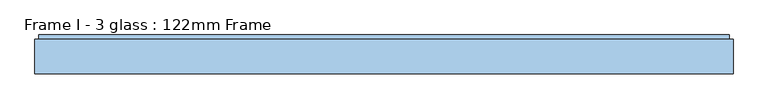
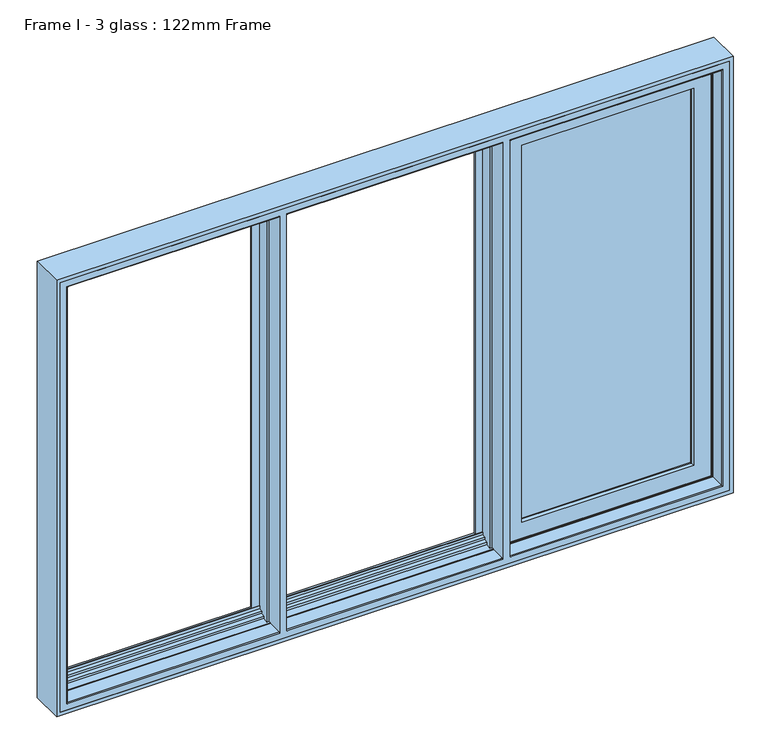
"""IFC4 building model written with IfcOpenShell, lengths in millimetres: window geometry, Frame I - 3 glass : 122mm Frame."""

from ifc_helpers import new_model, si_unit, frame, origin, place, context, project, spatial, polyline, circle_curve, ellipse_curve, outline, extrude, source, transform, mapped, element, save
from ifc_brep_helpers import plane_surface, cylinder_surface, revolved_surface, advanced_brep


def frame_i_3_glass_122mm_frame_25791a50(model_context):
    return source(origin(), model_context, "Body", "SolidModel", [
        advanced_brep(
        [(-1064.0, 83.0, 2264.0), (-1064.0, 35.0, 2264.0), (-1064.0, 35.0, 836.0), (-1064.0, 83.0, 836.0), (-1067.0, 32.0, 2267.0), (-1067.0, 32.0, 833.0), (-374.6666667, 35.0, 836.0), (-374.6666667, 83.0, 836.0), (1064.0, 35.0, 836.0), (1064.0, 83.0, 836.0), (374.6666667, 83.0, 836.0), (374.6666667, 35.0, 836.0), (-350.6666667, 83.0, 836.0), (-350.6666667, 35.0, 836.0), (350.6666667, 35.0, 836.0), (350.6666667, 83.0, 836.0), (-374.6666667, 83.0, 838.0), (-1062.0, 83.0, 838.0), (-1062.0, 83.0, 2262.0), (-374.6666667, 83.0, 2262.0), (-374.6666667, 83.0, 2264.0), (1064.0, 83.0, 2264.0), (374.6666667, 83.0, 2264.0), (374.6666667, 83.0, 2262.0), (1062.0, 83.0, 2262.0), (1062.0, 83.0, 838.0), (374.6666667, 83.0, 838.0), (-350.6666667, 83.0, 838.0), (350.6666667, 83.0, 838.0), (-350.6666667, 83.0, 2264.0), (-350.6666667, 83.0, 2262.0), (350.6666667, 83.0, 2262.0), (350.6666667, 83.0, 2264.0), (-1062.0, 111.4, 2262.0), (-1062.0, 111.4, 838.0), (-374.6666667, 91.0, 838.0), (-382.8666667, 91.0, 838.0), (-380.3618616, 111.4, 838.0), (1062.0, 111.4, 838.0), (380.3618616, 111.4, 838.0), (382.8666667, 91.0, 838.0), (374.6666667, 91.0, 838.0), (-350.6666667, 91.0, 838.0), (350.6666667, 91.0, 838.0), (342.4666667, 91.0, 838.0), (344.9714717, 111.4, 838.0), (-344.9714717, 111.4, 838.0), (-342.4666667, 91.0, 838.0), (-380.3618616, 111.4, 846.0999998), (-1053.9000002, 111.4, 846.0999998), (-1053.9000002, 111.4, 2253.9000002), (-380.3618616, 111.4, 2253.9000002), (-380.3618616, 111.4, 2262.0), (1062.0, 111.4, 2262.0), (380.3618616, 111.4, 2262.0), (380.3618616, 111.4, 2253.9000002), (1053.9000002, 111.4, 2253.9000002), (1053.9000002, 111.4, 846.0999998), (380.3618616, 111.4, 846.0999998), (-344.9714717, 111.4, 846.0999998), (344.9714717, 111.4, 846.0999998), (-344.9714717, 111.4, 2262.0), (-344.9714717, 111.4, 2253.9000002), (344.9714717, 111.4, 2253.9000002), (344.9714717, 111.4, 2262.0), (-1053.9000002, 126.0, 2253.9000002), (-1053.9000002, 126.0, 846.0999998), (-378.569207, 126.0, 846.0999998), (1053.9000002, 126.0, 846.0999998), (378.569207, 126.0, 846.0999998), (-346.7641263, 126.0, 846.0999998), (346.7641263, 126.0, 846.0999998), (-378.569207, 126.0, 853.2798057), (-1046.7201943, 126.0, 853.2798057), (-1046.7201943, 126.0, 2246.7201943), (-378.569207, 126.0, 2246.7201943), (-378.569207, 126.0, 2253.9000002), (1053.9000002, 126.0, 2253.9000002), (378.569207, 126.0, 2253.9000002), (378.569207, 126.0, 2246.7201943), (1046.7201943, 126.0, 2246.7201943), (1046.7201943, 126.0, 853.2798057), (378.569207, 126.0, 853.2798057), (-346.7641263, 126.0, 853.2798057), (346.7641263, 126.0, 853.2798057), (-346.7641263, 126.0, 2253.9000002), (-346.7641263, 126.0, 2246.7201943), (346.7641263, 126.0, 2246.7201943), (346.7641263, 126.0, 2253.9000002), (-1046.7201943, 140.2372876, 2246.7201943), (-1046.7201943, 140.2372876, 853.2798057), (-376.8210879, 140.2372876, 853.2798057), (1046.7201943, 140.2372876, 853.2798057), (376.8210879, 140.2372876, 853.2798057), (-348.5122454, 140.2372876, 853.2798057), (348.5122454, 140.2372876, 853.2798057), (-376.8210879, 140.2372876, 861.9868914), (-1038.0131086, 140.2372876, 861.9868914), (-1038.0131086, 140.2372876, 2238.0131086), (-376.8210879, 140.2372876, 2238.0131086), (-376.8210879, 140.2372876, 2246.7201943), (1046.7201943, 140.2372876, 2246.7201943), (376.8210879, 140.2372876, 2246.7201943), (376.8210879, 140.2372876, 2238.0131086), (1038.0131086, 140.2372876, 2238.0131086), (1038.0131086, 140.2372876, 861.9868914), (376.8210879, 140.2372876, 861.9868914), (-348.5122454, 140.2372876, 861.9868914), (348.5122454, 140.2372876, 861.9868914), (-348.5122454, 140.2372876, 2246.7201943), (-348.5122454, 140.2372876, 2238.0131086), (348.5122454, 140.2372876, 2238.0131086), (348.5122454, 140.2372876, 2246.7201943), (-1038.0131086, 143.3877115, 2238.0131086), (-1038.0131086, 143.3877115, 861.9868914), (-376.6046541, 142.0, 861.9868914), (-401.0778241, 142.0, 861.9868914), (-400.6535581, 143.3877115, 861.9868914), (1038.0131086, 143.3877115, 861.9868914), (400.6535581, 143.3877115, 861.9868914), (401.0778241, 142.0, 861.9868914), (376.6046541, 142.0, 861.9868914), (-348.7286793, 142.0, 861.9868914), (348.7286793, 142.0, 861.9868914), (324.2555093, 142.0, 861.9868914), (324.6797752, 143.3877115, 861.9868914), (-324.6797752, 143.3877115, 861.9868914), (-324.2555093, 142.0, 861.9868914), (-1041.2576108, 154.0, 858.7423892), (-1041.2576108, 154.0, 2241.2576108), (-397.4090559, 154.0, 858.7423892), (1041.2576108, 154.0, 858.7423892), (397.4090559, 154.0, 858.7423892), (-327.9242774, 154.0, 858.7423892), (327.9242774, 154.0, 858.7423892), (1088.0, 154.0, 812.0), (-1088.0, 154.0, 812.0), (-1088.0, 154.0, 2288.0), (1088.0, 154.0, 2288.0), (-397.4090559, 154.0, 2241.2576108), (327.9242774, 154.0, 2241.2576108), (-327.9242774, 154.0, 2241.2576108), (1041.2576108, 154.0, 2241.2576108), (397.4090559, 154.0, 2241.2576108), (-1088.0, 90.5, 2288.0), (-1088.0, 90.5, 812.0), (1088.0, 90.5, 812.0), (374.6666667, 90.5, 812.0), (374.6666667, 86.5, 812.0), (1088.0, 86.5, 812.0), (1088.0, 32.0, 812.0), (-1088.0, 32.0, 812.0), (-1088.0, 86.5, 812.0), (-374.6666667, 86.5, 812.0), (-374.6666667, 90.5, 812.0), (-350.6666667, 86.5, 812.0), (350.6666667, 86.5, 812.0), (350.6666667, 90.5, 812.0), (-350.6666667, 90.5, 812.0), (-374.6666667, 90.5, 819.0), (-1081.0, 90.5, 819.0), (-1081.0, 90.5, 2281.0), (-374.6666667, 90.5, 2281.0), (-374.6666667, 90.5, 2288.0), (1088.0, 90.5, 2288.0), (374.6666667, 90.5, 2288.0), (374.6666667, 90.5, 2281.0), (1081.0, 90.5, 2281.0), (1081.0, 90.5, 819.0), (374.6666667, 90.5, 819.0), (-350.6666667, 90.5, 819.0), (350.6666667, 90.5, 819.0), (-350.6666667, 90.5, 2288.0), (-350.6666667, 90.5, 2281.0), (350.6666667, 90.5, 2281.0), (350.6666667, 90.5, 2288.0), (-374.6666667, 32.0, 833.0), (1067.0, 32.0, 833.0), (374.6666667, 32.0, 833.0), (-350.6666667, 32.0, 833.0), (350.6666667, 32.0, 833.0), (-374.6666667, 86.5, 819.0), (-374.6666667, 32.0, 2267.0), (-374.6666667, 35.0, 2264.0), (-374.6666667, 91.0, 2262.0), (-374.6666667, 86.5, 2288.0), (-374.6666667, 86.5, 2281.0), (1064.0, 35.0, 2264.0), (374.6666667, 86.5, 819.0), (374.6666667, 32.0, 2267.0), (374.6666667, 91.0, 2262.0), (374.6666667, 35.0, 2264.0), (374.6666667, 86.5, 2288.0), (374.6666667, 86.5, 2281.0), (-350.6666667, 86.5, 819.0), (-350.6666667, 32.0, 2267.0), (-350.6666667, 91.0, 2262.0), (-350.6666667, 35.0, 2264.0), (-350.6666667, 86.5, 2288.0), (-350.6666667, 86.5, 2281.0), (350.6666667, 86.5, 819.0), (350.6666667, 32.0, 2267.0), (350.6666667, 35.0, 2264.0), (350.6666667, 91.0, 2262.0), (350.6666667, 86.5, 2288.0), (350.6666667, 86.5, 2281.0), (-382.8666667, 91.0, 2262.0), (-376.6046541, 142.0, 2238.0131086), (382.8666667, 91.0, 2262.0), (376.6046541, 142.0, 2238.0131086), (342.4666667, 91.0, 2262.0), (348.7286793, 142.0, 2238.0131086), (-342.4666667, 91.0, 2262.0), (-348.7286793, 142.0, 2238.0131086), (-401.0778241, 142.0, 2238.0131086), (-400.6535581, 143.3877115, 2238.0131086), (1038.0131086, 143.3877115, 2238.0131086), (400.6535581, 143.3877115, 2238.0131086), (401.0778241, 142.0, 2238.0131086), (324.2555093, 142.0, 2238.0131086), (324.6797752, 143.3877115, 2238.0131086), (-324.6797752, 143.3877115, 2238.0131086), (-324.2555093, 142.0, 2238.0131086), (-1081.0, 86.5, 2281.0), (-1081.0, 86.5, 819.0), (-1088.0, 86.5, 2288.0), (1081.0, 86.5, 819.0), (1081.0, 86.5, 2281.0), (1088.0, 86.5, 2288.0), (1088.0, 32.0, 2288.0), (-1088.0, 32.0, 2288.0), (1067.0, 32.0, 2267.0)],
        [
            (0, 1),
            (1, 2),
            (2, 3),
            (3, 0),
            (1, 4, ellipse_curve(frame((-1067.0, 35.0, 2267.0), z_axis=(-0.7071067811865475, 0.0, -0.7071067811865475), x_axis=(-0.7071067811865474, 0.0, 0.7071067811865476)), 4.2426407, 3.0)),
            (4, 5),
            (5, 2, ellipse_curve(frame((-1067.0, 35.0, 833.0), z_axis=(-0.7071067811865475, 0.0, 0.7071067811865475), x_axis=(0.7071067811865474, 0.0, 0.7071067811865476)), 4.2426407, 3.0)),
            (2, 6),
            (6, 7),
            (7, 3),
            (8, 9),
            (9, 10),
            (10, 11),
            (11, 8),
            (12, 13),
            (13, 14),
            (14, 15),
            (15, 12),
            (7, 16),
            (16, 17),
            (17, 18),
            (18, 19),
            (19, 20),
            (20, 0),
            (9, 21),
            (21, 22),
            (22, 23),
            (23, 24),
            (24, 25),
            (25, 26),
            (26, 10),
            (27, 12),
            (15, 28),
            (28, 27),
            (29, 30),
            (30, 31),
            (31, 32),
            (32, 29),
            (33, 18),
            (17, 34),
            (34, 33),
            (16, 35),
            (35, 36),
            (36, 37),
            (37, 34),
            (25, 38),
            (38, 39),
            (39, 40),
            (40, 41),
            (41, 26),
            (42, 27),
            (28, 43),
            (43, 44),
            (44, 45),
            (45, 46),
            (46, 47),
            (47, 42),
            (37, 48),
            (48, 49),
            (49, 50),
            (50, 51),
            (51, 52),
            (52, 33),
            (38, 53),
            (53, 54),
            (54, 55),
            (55, 56),
            (56, 57),
            (57, 58),
            (58, 39),
            (59, 46),
            (45, 60),
            (60, 59),
            (61, 62),
            (62, 63),
            (63, 64),
            (64, 61),
            (65, 50),
            (49, 66),
            (66, 65),
            (48, 67),
            (67, 66),
            (57, 68),
            (68, 69),
            (69, 58),
            (70, 59),
            (60, 71),
            (71, 70),
            (67, 72),
            (72, 73),
            (73, 74),
            (74, 75),
            (75, 76),
            (76, 65),
            (68, 77),
            (77, 78),
            (78, 79),
            (79, 80),
            (80, 81),
            (81, 82),
            (82, 69),
            (83, 70),
            (71, 84),
            (84, 83),
            (85, 86),
            (86, 87),
            (87, 88),
            (88, 85),
            (89, 74),
            (73, 90),
            (90, 89),
            (72, 91),
            (91, 90),
            (81, 92),
            (92, 93),
            (93, 82),
            (94, 83),
            (84, 95),
            (95, 94),
            (91, 96),
            (96, 97),
            (97, 98),
            (98, 99),
            (99, 100),
            (100, 89),
            (92, 101),
            (101, 102),
            (102, 103),
            (103, 104),
            (104, 105),
            (105, 106),
            (106, 93),
            (107, 94),
            (95, 108),
            (108, 107),
            (109, 110),
            (110, 111),
            (111, 112),
            (112, 109),
            (113, 98),
            (97, 114),
            (114, 113),
            (96, 115),
            (115, 116),
            (116, 117),
            (117, 114),
            (105, 118),
            (118, 119),
            (119, 120),
            (120, 121),
            (121, 106),
            (122, 107),
            (108, 123),
            (123, 124),
            (124, 125),
            (125, 126),
            (126, 127),
            (127, 122),
            (114, 128),
            (128, 129),
            (129, 113),
            (117, 130),
            (130, 128),
            (118, 131),
            (131, 132),
            (132, 119),
            (133, 126),
            (125, 134),
            (134, 133),
            (135, 136),
            (136, 137),
            (137, 138),
            (138, 135),
            (130, 139),
            (139, 129),
            (134, 140),
            (140, 141),
            (141, 133),
            (131, 142),
            (142, 143),
            (143, 132),
            (144, 137),
            (136, 145),
            (145, 144),
            (135, 146),
            (146, 147),
            (147, 148),
            (148, 149),
            (149, 150),
            (150, 151),
            (151, 152),
            (152, 153),
            (153, 154),
            (154, 145),
            (155, 156),
            (156, 157),
            (157, 158),
            (158, 155),
            (154, 159),
            (159, 160),
            (160, 161),
            (161, 162),
            (162, 163),
            (163, 144),
            (146, 164),
            (164, 165),
            (165, 166),
            (166, 167),
            (167, 168),
            (168, 169),
            (169, 147),
            (170, 158),
            (157, 171),
            (171, 170),
            (172, 173),
            (173, 174),
            (174, 175),
            (175, 172),
            (5, 176),
            (176, 6, circle_curve(frame((-374.6666667, 35.0, 833.0), z_axis=(-1.0, 0.0, 0.0), x_axis=(0.0, 1.0, 0.0)), 3.0)),
            (177, 8, ellipse_curve(frame((1067.0, 35.0, 833.0), z_axis=(-0.7071067811865475, 0.0, -0.7071067811865475), x_axis=(-0.7071067811865476, 0.0, 0.7071067811865474)), 4.2426407, 3.0)),
            (11, 178, circle_curve(frame((374.6666667, 35.0, 833.0), z_axis=(1.0, 0.0, 0.0), x_axis=(0.0, 1.0, 0.0)), 3.0)),
            (178, 177),
            (13, 179, circle_curve(frame((-350.6666667, 35.0, 833.0), z_axis=(1.0, 0.0, 0.0), x_axis=(0.0, 1.0, 0.0)), 3.0)),
            (179, 180),
            (180, 14, circle_curve(frame((350.6666667, 35.0, 833.0), z_axis=(-1.0, 0.0, 0.0), x_axis=(0.0, 1.0, 0.0)), 3.0)),
            (153, 181),
            (181, 159),
            (176, 182),
            (182, 183, circle_curve(frame((-374.6666667, 35.0, 2267.0), z_axis=(1.0, 0.0, 0.0), x_axis=(0.0, 1.0, 0.0)), 3.0)),
            (183, 20),
            (19, 184),
            (184, 35),
            (185, 163),
            (162, 186),
            (186, 185),
            (8, 187),
            (187, 21),
            (169, 188),
            (188, 148),
            (189, 178),
            (41, 190),
            (190, 23),
            (22, 191),
            (191, 189, circle_curve(frame((374.6666667, 35.0, 2267.0), z_axis=(-1.0, 0.0, 0.0), x_axis=(0.0, 1.0, 0.0)), 3.0)),
            (165, 192),
            (192, 193),
            (193, 166),
            (170, 194),
            (194, 155),
            (195, 179),
            (42, 196),
            (196, 30),
            (29, 197),
            (197, 195, circle_curve(frame((-350.6666667, 35.0, 2267.0), z_axis=(-1.0, 0.0, 0.0), x_axis=(0.0, 1.0, 0.0)), 3.0)),
            (172, 198),
            (198, 199),
            (199, 173),
            (156, 200),
            (200, 171),
            (180, 201),
            (201, 202, circle_curve(frame((350.6666667, 35.0, 2267.0), z_axis=(1.0, 0.0, 0.0), x_axis=(0.0, 1.0, 0.0)), 3.0)),
            (202, 32),
            (31, 203),
            (203, 43),
            (204, 175),
            (174, 205),
            (205, 204),
            (206, 36),
            (184, 206),
            (207, 115),
            (206, 52),
            (51, 76),
            (75, 100),
            (99, 207),
            (24, 53),
            (208, 40),
            (121, 209),
            (209, 103),
            (102, 79),
            (78, 55),
            (54, 208),
            (208, 190),
            (210, 44),
            (203, 210),
            (211, 123),
            (210, 64),
            (63, 88),
            (87, 112),
            (111, 211),
            (212, 47),
            (122, 213),
            (213, 110),
            (109, 86),
            (85, 62),
            (61, 212),
            (212, 196),
            (56, 77),
            (80, 101),
            (214, 116),
            (207, 214),
            (214, 215),
            (215, 139),
            (104, 216),
            (216, 118),
            (143, 217),
            (217, 218),
            (218, 120),
            (218, 209),
            (219, 124),
            (211, 219),
            (219, 220),
            (220, 140),
            (141, 221),
            (221, 222),
            (222, 127),
            (222, 213),
            (216, 142),
            (138, 164),
            (194, 200),
            (223, 224),
            (224, 181),
            (152, 225),
            (225, 185),
            (186, 223),
            (226, 227),
            (227, 193),
            (192, 228),
            (228, 149),
            (188, 226),
            (198, 204),
            (205, 199),
            (229, 150),
            (228, 229),
            (229, 230),
            (230, 151),
            (4, 182),
            (231, 177),
            (189, 231),
            (195, 201),
            (230, 225),
            (231, 187, ellipse_curve(frame((1067.0, 35.0, 2267.0), z_axis=(0.7071067811865475, 0.0, -0.7071067811865475), x_axis=(-0.7071067811865474, 0.0, -0.7071067811865476)), 4.2426407, 3.0)),
            (223, 161),
            (160, 224),
            (168, 226),
            (167, 227),
            (183, 1),
            (187, 191),
            (202, 197),
            (113, 215),
            (217, 216),
            (221, 220),
        ],
        [
            plane_surface(frame((-1064.0, 35.0, 2264.0), z_axis=(1.0, 0.0, 0.0), x_axis=(0.0, 0.0, -1.0))),
            cylinder_surface(frame((-1067.0, 35.0, 2288.0), z_axis=(0.0, 0.0, 1.0), x_axis=(0.0, 1.0, 0.0)), 3.0),
            plane_surface(frame((-1064.0, 35.0, 836.0), z_axis=(0.0, 0.0, 1.0), x_axis=(1.0, 0.0, 0.0))),
            plane_surface(frame((1064.0, 83.0, 2264.0), z_axis=(0.0, -1.0, 0.0), x_axis=(-1.0, 0.0, 0.0))),
            plane_surface(frame((-1062.0, 83.0, 2262.0), z_axis=(1.0, 0.0, 0.0), x_axis=(0.0, 0.0, -1.0))),
            plane_surface(frame((-1062.0, 83.0, 838.0), z_axis=(0.0, 0.0, 1.0), x_axis=(1.0, 0.0, 0.0))),
            plane_surface(frame((1062.0, 111.4, 2262.0), z_axis=(0.0, -1.0, 0.0), x_axis=(-1.0, 0.0, 0.0))),
            plane_surface(frame((-1053.9000002, 111.4, 2253.9000002), z_axis=(1.0, 0.0, 0.0), x_axis=(0.0, 0.0, -1.0))),
            plane_surface(frame((-1053.9000002, 111.4, 846.0999998), z_axis=(0.0, 0.0, 1.0), x_axis=(1.0, 0.0, 0.0))),
            plane_surface(frame((1053.9000002, 126.0, 2253.9000002), z_axis=(0.0, -1.0, 0.0), x_axis=(-1.0, 0.0, 0.0))),
            plane_surface(frame((-1046.7201943, 126.0, 2246.7201943), z_axis=(1.0, 0.0, 0.0), x_axis=(0.0, 0.0, -1.0))),
            plane_surface(frame((-1046.7201943, 126.0, 853.2798057), z_axis=(0.0, 0.0, 1.0), x_axis=(1.0, 0.0, 0.0))),
            plane_surface(frame((1046.7201943, 140.2372876, 2246.7201943), z_axis=(0.0, -1.0, 0.0), x_axis=(-1.0, 0.0, 0.0))),
            plane_surface(frame((-1038.0131086, 140.2372876, 2238.0131086), z_axis=(1.0, 0.0, 0.0), x_axis=(0.0, 0.0, -1.0))),
            plane_surface(frame((-1038.0131086, 140.2372876, 861.9868914), z_axis=(0.0, 0.0, 1.0), x_axis=(1.0, 0.0, 0.0))),
            plane_surface(frame((-1038.0131086, 143.3877115, 2238.0131086), z_axis=(0.9563047559629358, 0.29237170472306273, 0.0), x_axis=(0.0, 0.0, -1.0))),
            plane_surface(frame((-1038.0131086, 143.3877115, 861.9868914), z_axis=(0.0, 0.29237170472306273, 0.9563047559629358), x_axis=(1.0, 0.0, 0.0))),
            plane_surface(frame((1041.2576108, 154.0, 2241.2576108), z_axis=(0.0, 1.0, 0.0), x_axis=(-1.0, 0.0, 0.0))),
            plane_surface(frame((-1088.0, 154.0, 2288.0), z_axis=(-1.0, 0.0, 0.0), x_axis=(0.0, 0.0, -1.0))),
            plane_surface(frame((-1088.0, 154.0, 812.0), z_axis=(0.0, 0.0, -1.0), x_axis=(1.0, 0.0, 0.0))),
            plane_surface(frame((1088.0, 90.5, 2288.0), z_axis=(0.0, -1.0, 0.0), x_axis=(-1.0, 0.0, 0.0))),
            cylinder_surface(frame((-1088.0, 35.0, 833.0), z_axis=(-1.0, 0.0, 0.0), x_axis=(0.0, 1.0, 0.0)), 3.0),
            plane_surface(frame((-374.6666667, 91.0, 2288.0), z_axis=(-1.0, 0.0, 0.0), x_axis=(0.0, 0.0, -1.0))),
            plane_surface(frame((1064.0, 35.0, 836.0), z_axis=(-1.0, 0.0, 0.0), x_axis=(0.0, 0.0, 1.0))),
            plane_surface(frame((374.6666667, 32.0, 2288.0), z_axis=(1.0, 0.0, 0.0), x_axis=(0.0, 0.0, -1.0))),
            plane_surface(frame((-350.6666667, 32.0, 2288.0), z_axis=(1.0, 0.0, 0.0), x_axis=(0.0, 0.0, -1.0))),
            plane_surface(frame((350.6666667, 91.0, 2288.0), z_axis=(-1.0, 0.0, 0.0), x_axis=(0.0, 0.0, -1.0))),
            plane_surface(frame((-382.8666667, 91.0, 2288.0), z_axis=(0.0, -1.0, 0.0), x_axis=(0.0, 0.0, -1.0))),
            plane_surface(frame((-376.6046541, 142.0, 2288.0), z_axis=(-0.992546151641314, 0.12186934340521335, 0.0), x_axis=(0.0, 0.0, -1.0))),
            plane_surface(frame((1062.0, 83.0, 838.0), z_axis=(-1.0, 0.0, 0.0), x_axis=(0.0, 0.0, 1.0))),
            plane_surface(frame((382.8666667, 91.0, 2288.0), z_axis=(0.9925461516413139, 0.1218693434052145, 0.0), x_axis=(0.0, 0.0, -1.0))),
            plane_surface(frame((374.6666667, 91.0, 2288.0), z_axis=(0.0, -1.0, 0.0), x_axis=(0.0, 0.0, -1.0))),
            plane_surface(frame((342.4666667, 91.0, 2288.0), z_axis=(0.0, -1.0, 0.0), x_axis=(0.0, 0.0, -1.0))),
            plane_surface(frame((348.7286793, 142.0, 2288.0), z_axis=(-0.9925461516413169, 0.12186934340519025, 0.0), x_axis=(0.0, 0.0, -1.0))),
            plane_surface(frame((-342.4666667, 91.0, 2288.0), z_axis=(0.9925461516413132, 0.12186934340521952, 0.0), x_axis=(0.0, 0.0, -1.0))),
            plane_surface(frame((-350.6666667, 91.0, 2288.0), z_axis=(0.0, -1.0, 0.0), x_axis=(0.0, 0.0, -1.0))),
            plane_surface(frame((1053.9000002, 111.4, 846.0999998), z_axis=(-1.0, 0.0, 0.0), x_axis=(0.0, 0.0, 1.0))),
            plane_surface(frame((1046.7201943, 126.0, 853.2798057), z_axis=(-1.0, 0.0, 0.0), x_axis=(0.0, 0.0, 1.0))),
            plane_surface(frame((-401.0778241, 142.0, 2288.0), z_axis=(0.0, -1.0, 0.0), x_axis=(0.0, 0.0, -1.0))),
            plane_surface(frame((-397.4090559, 154.0, 2288.0), z_axis=(-0.9563047559630685, 0.29237170472262874, 0.0), x_axis=(0.0, 0.0, -1.0))),
            plane_surface(frame((1038.0131086, 140.2372876, 861.9868914), z_axis=(-1.0, 0.0, 0.0), x_axis=(0.0, 0.0, 1.0))),
            plane_surface(frame((401.0778241, 142.0, 2288.0), z_axis=(0.9563047559630601, 0.2923717047226562, 0.0), x_axis=(0.0, 0.0, -1.0))),
            plane_surface(frame((376.6046541, 142.0, 2288.0), z_axis=(0.0, -1.0, 0.0), x_axis=(0.0, 0.0, -1.0))),
            plane_surface(frame((324.2555093, 142.0, 2288.0), z_axis=(0.0, -1.0, 0.0), x_axis=(0.0, 0.0, -1.0))),
            plane_surface(frame((327.9242774, 154.0, 2288.0), z_axis=(-0.9563047559630613, 0.2923717047226525, 0.0), x_axis=(0.0, 0.0, -1.0))),
            plane_surface(frame((-324.2555093, 142.0, 2288.0), z_axis=(0.9563047559630672, 0.29237170472263324, 0.0), x_axis=(0.0, 0.0, -1.0))),
            plane_surface(frame((-348.7286793, 142.0, 2288.0), z_axis=(0.0, -1.0, 0.0), x_axis=(0.0, 0.0, -1.0))),
            plane_surface(frame((1038.0131086, 143.3877115, 861.9868914), z_axis=(-0.9563047559629358, 0.29237170472306273, 0.0), x_axis=(0.0, 0.0, 1.0))),
            plane_surface(frame((1088.0, 154.0, 812.0), z_axis=(1.0, 0.0, 0.0), x_axis=(0.0, 0.0, 1.0))),
            plane_surface(frame((1081.0, 86.5, 2281.0), z_axis=(0.0, 1.0, 0.0), x_axis=(-1.0, 0.0, 0.0))),
            plane_surface(frame((1088.0, 86.5, 812.0), z_axis=(1.0, 0.0, 0.0), x_axis=(0.0, 0.0, 1.0))),
            plane_surface(frame((1088.0, 32.0, 2288.0), z_axis=(0.0, -1.0, 0.0), x_axis=(-1.0, 0.0, 0.0))),
            plane_surface(frame((-1088.0, 86.5, 2288.0), z_axis=(-1.0, 0.0, 0.0), x_axis=(0.0, 0.0, -1.0))),
            cylinder_surface(frame((1067.0, 35.0, 812.0), z_axis=(0.0, 0.0, -1.0), x_axis=(0.0, 1.0, 0.0)), 3.0),
            plane_surface(frame((-1081.0, 90.5, 2281.0), z_axis=(-1.0, 0.0, 0.0), x_axis=(0.0, 0.0, -1.0))),
            plane_surface(frame((-1081.0, 90.5, 819.0), z_axis=(0.0, 0.0, -1.0), x_axis=(1.0, 0.0, 0.0))),
            plane_surface(frame((1081.0, 90.5, 819.0), z_axis=(1.0, 0.0, 0.0), x_axis=(0.0, 0.0, 1.0))),
            plane_surface(frame((1064.0, 35.0, 2264.0), z_axis=(0.0, 0.0, -1.0), x_axis=(-1.0, 0.0, 0.0))),
            plane_surface(frame((1062.0, 83.0, 2262.0), z_axis=(0.0, 0.0, -1.0), x_axis=(-1.0, 0.0, 0.0))),
            plane_surface(frame((1053.9000002, 111.4, 2253.9000002), z_axis=(0.0, 0.0, -1.0), x_axis=(-1.0, 0.0, 0.0))),
            plane_surface(frame((1046.7201943, 126.0, 2246.7201943), z_axis=(0.0, 0.0, -1.0), x_axis=(-1.0, 0.0, 0.0))),
            plane_surface(frame((1038.0131086, 140.2372876, 2238.0131086), z_axis=(0.0, 0.0, -1.0), x_axis=(-1.0, 0.0, 0.0))),
            plane_surface(frame((1038.0131086, 143.3877115, 2238.0131086), z_axis=(0.0, 0.29237170472306273, -0.9563047559629358), x_axis=(-1.0, 0.0, 0.0))),
            plane_surface(frame((1088.0, 154.0, 2288.0), z_axis=(0.0, 0.0, 1.0), x_axis=(-1.0, 0.0, 0.0))),
            cylinder_surface(frame((1088.0, 35.0, 2267.0), z_axis=(1.0, 0.0, 0.0), x_axis=(0.0, 1.0, 0.0)), 3.0),
            plane_surface(frame((1081.0, 90.5, 2281.0), z_axis=(0.0, 0.0, 1.0), x_axis=(-1.0, 0.0, 0.0))),
        ],
        [
            (0, [[1, 2, 3, 4]]),
            (1, [[-2, 5, 6, 7]]),
            (2, [[-3, 8, 9, 10]]),
            (2, [[11, 12, 13, 14]]),
            (2, [[15, 16, 17, 18]]),
            (3, [[-4, -10, 19, 20, 21, 22, 23, 24]]),
            (3, [[25, 26, 27, 28, 29, 30, 31, -12]]),
            (3, [[32, -18, 33, 34]]),
            (3, [[35, 36, 37, 38]]),
            (4, [[39, -21, 40, 41]]),
            (5, [[-40, -20, 42, 43, 44, 45]]),
            (5, [[46, 47, 48, 49, 50, -30]]),
            (5, [[51, -34, 52, 53, 54, 55, 56, 57]]),
            (6, [[-41, -45, 58, 59, 60, 61, 62, 63]]),
            (6, [[64, 65, 66, 67, 68, 69, 70, -47]]),
            (6, [[71, -55, 72, 73]]),
            (6, [[74, 75, 76, 77]]),
            (7, [[78, -60, 79, 80]]),
            (8, [[-79, -59, 81, 82]]),
            (8, [[83, 84, 85, -69]]),
            (8, [[86, -73, 87, 88]]),
            (9, [[-80, -82, 89, 90, 91, 92, 93, 94]]),
            (9, [[95, 96, 97, 98, 99, 100, 101, -84]]),
            (9, [[102, -88, 103, 104]]),
            (9, [[105, 106, 107, 108]]),
            (10, [[109, -91, 110, 111]]),
            (11, [[-110, -90, 112, 113]]),
            (11, [[114, 115, 116, -100]]),
            (11, [[117, -104, 118, 119]]),
            (12, [[-111, -113, 120, 121, 122, 123, 124, 125]]),
            (12, [[126, 127, 128, 129, 130, 131, 132, -115]]),
            (12, [[133, -119, 134, 135]]),
            (12, [[136, 137, 138, 139]]),
            (13, [[140, -122, 141, 142]]),
            (14, [[-141, -121, 143, 144, 145, 146]]),
            (14, [[147, 148, 149, 150, 151, -131]]),
            (14, [[152, -135, 153, 154, 155, 156, 157, 158]]),
            (15, [[-142, 159, 160, 161]]),
            (16, [[-159, -146, 162, 163]]),
            (16, [[164, 165, 166, -148]]),
            (16, [[167, -156, 168, 169]]),
            (17, [[170, 171, 172, 173], [-160, -163, 174, 175], [-169, 176, 177, 178], [179, 180, 181, -165]]),
            (18, [[182, -171, 183, 184]]),
            (19, [[-183, -170, 185, 186, 187, 188, 189, 190, 191, 192, 193, 194], [195, 196, 197, 198]]),
            (20, [[-184, -194, 199, 200, 201, 202, 203, 204]]),
            (20, [[205, 206, 207, 208, 209, 210, 211, -186]]),
            (20, [[212, -197, 213, 214]]),
            (20, [[215, 216, 217, 218]]),
            (21, [[-7, 219, 220, -8]]),
            (21, [[221, -14, 222, 223]]),
            (21, [[224, 225, 226, -16]]),
            (22, [[-193, 227, 228, -199]]),
            (22, [[229, 230, 231, -23, 232, 233, -42, -19, -9, -220]]),
            (22, [[234, -203, 235, 236]]),
            (23, [[-11, 237, 238, -25]]),
            (24, [[-187, -211, 239, 240]]),
            (24, [[241, -222, -13, -31, -50, 242, 243, -27, 244, 245]]),
            (24, [[246, 247, 248, -207]]),
            (25, [[-198, -212, 249, 250]]),
            (25, [[251, -224, -15, -32, -51, 252, 253, -35, 254, 255]]),
            (25, [[256, 257, 258, -215]]),
            (26, [[-196, 259, 260, -213]]),
            (26, [[261, 262, 263, -37, 264, 265, -52, -33, -17, -226]]),
            (26, [[266, -217, 267, 268]]),
            (27, [[269, -43, -233, 270]]),
            (28, [[271, -143, -120, -112, -89, -81, -58, -44, -269, 272, -62, 273, -93, 274, -124, 275]]),
            (29, [[-46, -29, 276, -64]]),
            (30, [[277, -48, -70, -85, -101, -116, -132, -151, 278, 279, -128, 280, -97, 281, -66, 282]]),
            (31, [[-242, -49, -277, 283]]),
            (32, [[284, -53, -265, 285]]),
            (33, [[286, -153, -134, -118, -103, -87, -72, -54, -284, 287, -76, 288, -107, 289, -138, 290]]),
            (34, [[291, -56, -71, -86, -102, -117, -133, -152, 292, 293, -136, 294, -105, 295, -74, 296]]),
            (35, [[-252, -57, -291, 297]]),
            (36, [[-83, -68, 298, -95]]),
            (37, [[-114, -99, 299, -126]]),
            (38, [[300, -144, -271, 301]]),
            (39, [[-174, -162, -145, -300, 302, 303]]),
            (40, [[-147, -130, 304, 305]]),
            (41, [[-181, 306, 307, 308, -149, -166]]),
            (42, [[-278, -150, -308, 309]]),
            (43, [[310, -154, -286, 311]]),
            (44, [[-176, -168, -155, -310, 312, 313]]),
            (45, [[-178, 314, 315, 316, -157, -167]]),
            (46, [[-292, -158, -316, 317]]),
            (47, [[-164, -305, 318, -179]]),
            (48, [[-185, -173, 319, -205]]),
            (49, [[-250, 320, -259, -195]]),
            (49, [[321, 322, -227, -192, 323, 324, -236, 325]]),
            (49, [[326, 327, -247, 328, 329, -188, -240, 330]]),
            (49, [[-257, 331, -268, 332]]),
            (50, [[333, -189, -329, 334]]),
            (51, [[-190, -333, 335, 336], [-6, 337, -229, -219], [338, -223, -241, 339], [340, -261, -225, -251]]),
            (52, [[-336, 341, -323, -191]]),
            (53, [[-237, -221, -338, 342]]),
            (54, [[343, -201, 344, -321]]),
            (55, [[-249, -214, -260, -320]]),
            (55, [[-344, -200, -228, -322]]),
            (55, [[345, -330, -239, -210]]),
            (56, [[-345, -209, 346, -326]]),
            (57, [[-1, -24, -231, 347]]),
            (57, [[-238, 348, -244, -26]]),
            (57, [[-254, -38, -263, 349]]),
            (58, [[-39, -63, -272, -270, -232, -22]]),
            (58, [[-276, -28, -243, -283, -282, -65]]),
            (58, [[-253, -297, -296, -77, -287, -285, -264, -36]]),
            (59, [[-78, -94, -273, -61]]),
            (59, [[-298, -67, -281, -96]]),
            (59, [[-295, -108, -288, -75]]),
            (60, [[-109, -125, -274, -92]]),
            (60, [[-299, -98, -280, -127]]),
            (60, [[-294, -139, -289, -106]]),
            (61, [[-140, 350, -302, -301, -275, -123]]),
            (61, [[-304, -129, -279, -309, -307, 351]]),
            (61, [[-293, -317, -315, 352, -312, -311, -290, -137]]),
            (62, [[-161, -175, -303, -350]]),
            (62, [[-318, -351, -306, -180]]),
            (62, [[-314, -177, -313, -352]]),
            (63, [[-172, -182, -204, -234, -324, -341, -335, -334, -328, -246, -206, -319], [-218, -266, -331, -256]]),
            (64, [[-5, -347, -230, -337]]),
            (64, [[-342, -339, -245, -348]]),
            (64, [[-255, -349, -262, -340]]),
            (65, [[-343, -325, -235, -202]]),
            (65, [[-346, -208, -248, -327]]),
            (65, [[-258, -332, -267, -216]]),
        ],
    ),
        extrude(outline(polyline([(2300.0, -1100.0), (800.0, -1100.0), (800.0, 1100.0), (2300.0, 1100.0), (2300.0, -1100.0)]), holes=[polyline([(2288.0, 1088.0), (812.0, 1088.0), (812.0, -1088.0), (2288.0, -1088.0), (2288.0, 1088.0)])]), frame((0.0, 32.0, 0.0), z_axis=(0.0, 1.0, 0.0), x_axis=(0.0, 0.0, 1.0)), (0.0, 0.0, 1.0), 109.0),
        extrude(outline(polyline([(428.2666667, 141.0), (1010.0, 141.0), (1010.0, 93.0), (428.2666667, 93.0), (428.2666667, 141.0)])), frame((0.0, 0.0, 890.0), z_axis=(0.0, 0.0, 1.0), x_axis=(1.0, 0.0, 0.0)), (0.0, 0.0, 1.0), 1320.0),
        advanced_brep(
        [(405.86682, 148.4070391, 2232.3998467), (405.86682, 153.0, 2232.3998467), (405.86682, 153.0, 867.6001533), (405.86682, 148.4070391, 867.6001533), (1032.3998467, 153.0, 2232.3998467), (1032.3998467, 153.0, 867.6001533), (425.3035591, 153.0, 887.0368924), (1012.9631076, 153.0, 887.0368924), (1012.9631076, 153.0, 2212.9631076), (425.3035591, 153.0, 2212.9631076), (1032.3998467, 148.4070391, 867.6001533), (400.5927278, 139.5531262, 2237.6739389), (400.5927278, 139.5531262, 862.3260611), (1037.6739389, 139.5531262, 862.3260611), (398.7532711, 139.5531262, 2239.5133955), (1039.5133955, 139.5531262, 2239.5133955), (1039.5133955, 139.5531262, 860.4866045), (398.7532711, 139.5531262, 860.4866045), (1037.6739389, 139.5531262, 2237.6739389), (398.7532711, 121.0, 2239.5133955), (398.7532711, 121.0, 860.4866045), (1039.5133955, 121.0, 860.4866045), (388.7532711, 121.0, 2249.5133955), (1049.5133955, 121.0, 2249.5133955), (1049.5133955, 121.0, 850.4866045), (388.7532711, 121.0, 850.4866045), (1039.5133955, 121.0, 2239.5133955), (388.7532711, 88.5, 2249.5133955), (388.7532711, 88.5, 850.4866045), (1049.5133955, 88.5, 850.4866045), (377.9689667, 88.5, 2260.2977), (1060.2976999, 88.5, 2260.2977), (1060.2976999, 88.5, 839.7023001), (377.9689667, 88.5, 839.7023001), (1049.5133955, 88.5, 2249.5133955), (377.9689667, 83.5, 2260.2977), (377.9689667, 83.5, 839.7023001), (1060.2976999, 83.5, 839.7023001), (1060.2976999, 83.5, 2260.2977), (384.7666667, 83.5, 2253.5), (1053.5, 83.5, 2253.5), (1053.5, 83.5, 846.5), (384.7666667, 83.5, 846.5), (384.7666667, 78.0, 2253.5), (384.7666667, 78.0, 846.5), (1053.5, 78.0, 846.5), (1053.5, 78.0, 2253.5), (439.9508851, 78.0, 2198.3157816), (998.3157816, 78.0, 2198.3157816), (998.3157816, 78.0, 901.6842184), (439.9508851, 78.0, 901.6842184), (442.26636, 88.8934531, 2196.0003067), (442.26636, 88.8934531, 903.9996933), (996.0003067, 88.8934531, 903.9996933), (442.26636, 93.0, 2196.0003067), (442.26636, 93.0, 903.9996933), (996.0003067, 93.0, 903.9996933), (428.2666667, 93.0, 2210.0), (1010.0, 93.0, 2210.0), (1010.0, 93.0, 890.0), (428.2666667, 93.0, 890.0), (996.0003067, 93.0, 2196.0003067), (428.2666667, 141.0, 2210.0), (428.2666667, 141.0, 890.0), (1010.0, 141.0, 890.0), (1010.0, 141.0, 2210.0), (442.6788181, 141.0, 2195.5878486), (995.5878486, 141.0, 2195.5878486), (995.5878486, 141.0, 904.4121514), (442.6788181, 141.0, 904.4121514), (439.0100499, 153.0, 2199.2566168), (439.0100499, 153.0, 900.7433832), (999.2566168, 153.0, 900.7433832), (432.2317623, 153.0, 2206.0349044), (1006.0349044, 153.0, 2206.0349044), (1006.0349044, 153.0, 893.9650956), (432.2317623, 153.0, 893.9650956), (999.2566168, 153.0, 2199.2566168), (430.9327242, 152.25, 2207.3339425), (430.9327242, 152.25, 892.6660575), (1007.3339425, 152.25, 892.6660575), (426.6025972, 152.25, 2211.6640695), (426.6025972, 152.25, 888.3359305), (1011.6640695, 152.25, 888.3359305), (1032.3998467, 148.4070391, 2232.3998467), (996.0003067, 88.8934531, 2196.0003067), (1007.3339425, 152.25, 2207.3339425), (1011.6640695, 152.25, 2211.6640695)],
        [
            (0, 1),
            (1, 2),
            (2, 3),
            (3, 0),
            (1, 4),
            (4, 5),
            (5, 2),
            (6, 7),
            (7, 8),
            (8, 9),
            (9, 6),
            (5, 10),
            (10, 3),
            (11, 0),
            (3, 12),
            (12, 11),
            (10, 13),
            (13, 12),
            (14, 15),
            (15, 16),
            (16, 17),
            (17, 14),
            (13, 18),
            (18, 11),
            (19, 14),
            (17, 20),
            (20, 19),
            (16, 21),
            (21, 20),
            (22, 23),
            (23, 24),
            (24, 25),
            (25, 22),
            (21, 26),
            (26, 19),
            (27, 22),
            (25, 28),
            (28, 27),
            (24, 29),
            (29, 28),
            (30, 31),
            (31, 32),
            (32, 33),
            (33, 30),
            (29, 34),
            (34, 27),
            (35, 30),
            (33, 36),
            (36, 35),
            (32, 37),
            (37, 36),
            (37, 38),
            (38, 35),
            (39, 40),
            (40, 41),
            (41, 42),
            (42, 39),
            (43, 39),
            (42, 44),
            (44, 43),
            (41, 45),
            (45, 44),
            (45, 46),
            (46, 43),
            (47, 48),
            (48, 49),
            (49, 50),
            (50, 47),
            (51, 47),
            (50, 52),
            (52, 51),
            (49, 53),
            (53, 52),
            (54, 51),
            (52, 55),
            (55, 54),
            (53, 56),
            (56, 55),
            (57, 58),
            (58, 59),
            (59, 60),
            (60, 57),
            (56, 61),
            (61, 54),
            (62, 57),
            (60, 63),
            (63, 62),
            (59, 64),
            (64, 63),
            (64, 65),
            (65, 62),
            (66, 67),
            (67, 68),
            (68, 69),
            (69, 66),
            (70, 66),
            (69, 71),
            (71, 70),
            (68, 72),
            (72, 71),
            (73, 74),
            (74, 75),
            (75, 76),
            (76, 73),
            (72, 77),
            (77, 70),
            (78, 73, ellipse_curve(frame((432.2317623, 151.5, 2206.0349044), z_axis=(-0.7071067811865475, 0.0, -0.7071067811865475), x_axis=(-0.7071067811865474, 0.0, 0.7071067811865476)), 2.1213203, 1.5)),
            (76, 79, ellipse_curve(frame((432.2317623, 151.5, 893.9650956), z_axis=(-0.7071067811865475, 0.0, 0.7071067811865475), x_axis=(0.7071067811865474, 0.0, 0.7071067811865476)), 2.1213203, 1.5)),
            (79, 78),
            (75, 80, ellipse_curve(frame((1006.0349044, 151.5, 893.9650956), z_axis=(-0.7071067811865475, 0.0, -0.7071067811865475), x_axis=(-0.7071067811865476, 0.0, 0.7071067811865474)), 2.1213203, 1.5)),
            (80, 79),
            (81, 78, ellipse_curve(frame((428.7676607, 153.5, 2209.499006), z_axis=(0.7071067811865475, 0.0, 0.7071067811865475), x_axis=(0.7071067811865474, 0.0, -0.7071067811865476)), 3.5355339, 2.5)),
            (79, 82, ellipse_curve(frame((428.7676607, 153.5, 890.500994), z_axis=(0.7071067811865475, 0.0, -0.7071067811865475), x_axis=(-0.7071067811865474, 0.0, -0.7071067811865476)), 3.5355339, 2.5)),
            (82, 81),
            (80, 83, ellipse_curve(frame((1009.499006, 153.5, 890.500994), z_axis=(0.7071067811865475, 0.0, 0.7071067811865475), x_axis=(0.7071067811865476, 0.0, -0.7071067811865474)), 3.5355339, 2.5)),
            (83, 82),
            (9, 81, ellipse_curve(frame((425.3035591, 151.5, 2212.9631076), z_axis=(-0.7071067811865475, 0.0, -0.7071067811865475), x_axis=(-0.7071067811865474, 0.0, 0.7071067811865476)), 2.1213203, 1.5)),
            (82, 6, ellipse_curve(frame((425.3035591, 151.5, 887.0368924), z_axis=(-0.7071067811865475, 0.0, 0.7071067811865475), x_axis=(0.7071067811865474, 0.0, 0.7071067811865476)), 2.1213203, 1.5)),
            (83, 7, ellipse_curve(frame((1012.9631076, 151.5, 887.0368924), z_axis=(-0.7071067811865475, 0.0, -0.7071067811865475), x_axis=(-0.7071067811865476, 0.0, 0.7071067811865474)), 2.1213203, 1.5)),
            (4, 84),
            (84, 10),
            (84, 18),
            (15, 26),
            (23, 34),
            (31, 38),
            (40, 46),
            (48, 85),
            (85, 53),
            (85, 61),
            (58, 65),
            (67, 77),
            (74, 86, ellipse_curve(frame((1006.0349044, 151.5, 2206.0349044), z_axis=(0.7071067811865475, 0.0, -0.7071067811865475), x_axis=(-0.7071067811865474, 0.0, -0.7071067811865476)), 2.1213203, 1.5)),
            (86, 80),
            (86, 87, ellipse_curve(frame((1009.499006, 153.5, 2209.499006), z_axis=(-0.7071067811865475, 0.0, 0.7071067811865475), x_axis=(0.7071067811865474, 0.0, 0.7071067811865476)), 3.5355339, 2.5)),
            (87, 83),
            (87, 8, ellipse_curve(frame((1012.9631076, 151.5, 2212.9631076), z_axis=(0.7071067811865475, 0.0, -0.7071067811865475), x_axis=(-0.7071067811865474, 0.0, -0.7071067811865476)), 2.1213203, 1.5)),
            (0, 84),
            (51, 85),
            (78, 86),
            (81, 87),
        ],
        [
            plane_surface(frame((405.86682, 153.0, 2232.3998467), z_axis=(-1.0, 0.0, 0.0), x_axis=(0.0, 0.0, -1.0))),
            plane_surface(frame((1012.9631076, 153.0, 2212.9631076), z_axis=(0.0, 1.0, 0.0), x_axis=(-1.0, 0.0, 0.0))),
            plane_surface(frame((405.86682, 153.0, 867.6001533), z_axis=(0.0, 0.0, -1.0), x_axis=(1.0, 0.0, 0.0))),
            plane_surface(frame((405.86682, 148.4070391, 2232.3998467), z_axis=(-0.8591262587254956, 0.5117636872310626, 0.0), x_axis=(0.0, 0.0, -1.0))),
            plane_surface(frame((405.86682, 148.4070391, 867.6001533), z_axis=(0.0, 0.5117636872310626, -0.8591262587254956), x_axis=(1.0, 0.0, 0.0))),
            plane_surface(frame((1037.6739389, 139.5531262, 2237.6739389), z_axis=(0.0, 1.0, 0.0), x_axis=(-1.0, 0.0, 0.0))),
            plane_surface(frame((398.7532711, 139.5531262, 2239.5133955), z_axis=(-1.0, 0.0, 0.0), x_axis=(0.0, 0.0, -1.0))),
            plane_surface(frame((398.7532711, 139.5531262, 860.4866045), z_axis=(0.0, 0.0, -1.0), x_axis=(1.0, 0.0, 0.0))),
            plane_surface(frame((1039.5133955, 121.0, 2239.5133955), z_axis=(0.0, 1.0, 0.0), x_axis=(-1.0, 0.0, 0.0))),
            plane_surface(frame((388.7532711, 121.0, 2249.5133955), z_axis=(-1.0, 0.0, 0.0), x_axis=(0.0, 0.0, -1.0))),
            plane_surface(frame((388.7532711, 121.0, 850.4866045), z_axis=(0.0, 0.0, -1.0), x_axis=(1.0, 0.0, 0.0))),
            plane_surface(frame((1049.5133955, 88.5, 2249.5133955), z_axis=(0.0, 1.0, 0.0), x_axis=(-1.0, 0.0, 0.0))),
            plane_surface(frame((377.9689667, 88.5, 2260.2977), z_axis=(-1.0, 0.0, 0.0), x_axis=(0.0, 0.0, -1.0))),
            plane_surface(frame((377.9689667, 88.5, 839.7023001), z_axis=(0.0, 0.0, -1.0), x_axis=(1.0, 0.0, 0.0))),
            plane_surface(frame((1060.2976999, 83.5, 2260.2977), z_axis=(0.0, -1.0, 0.0), x_axis=(-1.0, 0.0, 0.0))),
            plane_surface(frame((384.7666667, 83.5, 2253.5), z_axis=(-1.0, 0.0, 0.0), x_axis=(0.0, 0.0, -1.0))),
            plane_surface(frame((384.7666667, 83.5, 846.5), z_axis=(0.0, 0.0, -1.0), x_axis=(1.0, 0.0, 0.0))),
            plane_surface(frame((1053.5, 78.0, 2253.5), z_axis=(0.0, -1.0, 0.0), x_axis=(-1.0, 0.0, 0.0))),
            plane_surface(frame((439.9508851, 78.0, 2198.3157816), z_axis=(0.9781476007338035, -0.20791169081776997, 0.0), x_axis=(0.0, 0.0, -1.0))),
            plane_surface(frame((439.9508851, 78.0, 901.6842184), z_axis=(0.0, -0.20791169081776997, 0.9781476007338035), x_axis=(1.0, 0.0, 0.0))),
            plane_surface(frame((442.26636, 88.8934531, 2196.0003067), z_axis=(1.0, 0.0, 0.0), x_axis=(0.0, 0.0, -1.0))),
            plane_surface(frame((442.26636, 88.8934531, 903.9996933), z_axis=(0.0, 0.0, 1.0), x_axis=(1.0, 0.0, 0.0))),
            plane_surface(frame((996.0003067, 93.0, 2196.0003067), z_axis=(0.0, 1.0, 0.0), x_axis=(-1.0, 0.0, 0.0))),
            plane_surface(frame((428.2666667, 93.0, 2210.0), z_axis=(1.0, 0.0, 0.0), x_axis=(0.0, 0.0, -1.0))),
            plane_surface(frame((428.2666667, 93.0, 890.0), z_axis=(0.0, 0.0, 1.0), x_axis=(1.0, 0.0, 0.0))),
            plane_surface(frame((1010.0, 141.0, 2210.0), z_axis=(0.0, -1.0, 0.0), x_axis=(-1.0, 0.0, 0.0))),
            plane_surface(frame((442.6788181, 141.0, 2195.5878486), z_axis=(0.9563047559629768, 0.2923717047229288, 0.0), x_axis=(0.0, 0.0, -1.0))),
            plane_surface(frame((442.6788181, 141.0, 904.4121514), z_axis=(0.0, 0.2923717047229288, 0.9563047559629768), x_axis=(1.0, 0.0, 0.0))),
            plane_surface(frame((999.2566168, 153.0, 2199.2566168), z_axis=(0.0, 1.0, 0.0), x_axis=(-1.0, 0.0, 0.0))),
            cylinder_surface(frame((432.2317623, 151.5, 2237.6), z_axis=(0.0, 0.0, 1.0), x_axis=(0.0, 1.0, 0.0)), 1.5),
            cylinder_surface(frame((400.6666667, 151.5, 893.9650956), z_axis=(-1.0, 0.0, 0.0), x_axis=(0.0, 1.0, 0.0)), 1.5),
            revolved_surface(polyline([(428.7676607, 156.0, 888.000994004195), (428.7676607, 156.0, 2211.999005995805)]), (428.7676607, 153.5, 2237.6), (0.0, 0.0, -1.0)),
            revolved_surface(polyline([(1011.999005995805, 156.0, 890.500994), (426.2676607041951, 156.0, 890.500994)]), (400.6666667, 153.5, 890.500994), (1.0, 0.0, 0.0)),
            cylinder_surface(frame((425.3035591, 151.5, 2237.6), z_axis=(0.0, 0.0, 1.0), x_axis=(0.0, 1.0, 0.0)), 1.5),
            cylinder_surface(frame((400.6666667, 151.5, 887.0368924), z_axis=(-1.0, 0.0, 0.0), x_axis=(0.0, 1.0, 0.0)), 1.5),
            plane_surface(frame((1032.3998467, 153.0, 867.6001533), z_axis=(1.0, 0.0, 0.0), x_axis=(0.0, 0.0, 1.0))),
            plane_surface(frame((1032.3998467, 148.4070391, 867.6001533), z_axis=(0.8591262587254956, 0.5117636872310626, 0.0), x_axis=(0.0, 0.0, 1.0))),
            plane_surface(frame((1039.5133955, 139.5531262, 860.4866045), z_axis=(1.0, 0.0, 0.0), x_axis=(0.0, 0.0, 1.0))),
            plane_surface(frame((1049.5133955, 121.0, 850.4866045), z_axis=(1.0, 0.0, 0.0), x_axis=(0.0, 0.0, 1.0))),
            plane_surface(frame((1060.2976999, 88.5, 839.7023001), z_axis=(1.0, 0.0, 0.0), x_axis=(0.0, 0.0, 1.0))),
            plane_surface(frame((1053.5, 83.5, 846.5), z_axis=(1.0, 0.0, 0.0), x_axis=(0.0, 0.0, 1.0))),
            plane_surface(frame((998.3157816, 78.0, 901.6842184), z_axis=(-0.9781476007338035, -0.20791169081776997, 0.0), x_axis=(0.0, 0.0, 1.0))),
            plane_surface(frame((996.0003067, 88.8934531, 903.9996933), z_axis=(-1.0, 0.0, 0.0), x_axis=(0.0, 0.0, 1.0))),
            plane_surface(frame((1010.0, 93.0, 890.0), z_axis=(-1.0, 0.0, 0.0), x_axis=(0.0, 0.0, 1.0))),
            plane_surface(frame((995.5878486, 141.0, 904.4121514), z_axis=(-0.9563047559629768, 0.2923717047229288, 0.0), x_axis=(0.0, 0.0, 1.0))),
            cylinder_surface(frame((1006.0349044, 151.5, 862.4), z_axis=(0.0, 0.0, -1.0), x_axis=(0.0, 1.0, 0.0)), 1.5),
            revolved_surface(polyline([(1009.499006, 156.0, 2211.999005995805), (1009.499006, 156.0, 888.000994004195)]), (1009.499006, 153.5, 862.4), (0.0, 0.0, 1.0)),
            cylinder_surface(frame((1012.9631076, 151.5, 862.4), z_axis=(0.0, 0.0, -1.0), x_axis=(0.0, 1.0, 0.0)), 1.5),
            plane_surface(frame((1032.3998467, 153.0, 2232.3998467), z_axis=(0.0, 0.0, 1.0), x_axis=(-1.0, 0.0, 0.0))),
            plane_surface(frame((1032.3998467, 148.4070391, 2232.3998467), z_axis=(0.0, 0.5117636872310626, 0.8591262587254956), x_axis=(-1.0, 0.0, 0.0))),
            plane_surface(frame((1039.5133955, 139.5531262, 2239.5133955), z_axis=(0.0, 0.0, 1.0), x_axis=(-1.0, 0.0, 0.0))),
            plane_surface(frame((1049.5133955, 121.0, 2249.5133955), z_axis=(0.0, 0.0, 1.0), x_axis=(-1.0, 0.0, 0.0))),
            plane_surface(frame((1060.2976999, 88.5, 2260.2977), z_axis=(0.0, 0.0, 1.0), x_axis=(-1.0, 0.0, 0.0))),
            plane_surface(frame((1053.5, 83.5, 2253.5), z_axis=(0.0, 0.0, 1.0), x_axis=(-1.0, 0.0, 0.0))),
            plane_surface(frame((998.3157816, 78.0, 2198.3157816), z_axis=(0.0, -0.20791169081776997, -0.9781476007338035), x_axis=(-1.0, 0.0, 0.0))),
            plane_surface(frame((996.0003067, 88.8934531, 2196.0003067), z_axis=(0.0, 0.0, -1.0), x_axis=(-1.0, 0.0, 0.0))),
            plane_surface(frame((1010.0, 93.0, 2210.0), z_axis=(0.0, 0.0, -1.0), x_axis=(-1.0, 0.0, 0.0))),
            plane_surface(frame((995.5878486, 141.0, 2195.5878486), z_axis=(0.0, 0.2923717047229288, -0.9563047559629768), x_axis=(-1.0, 0.0, 0.0))),
            cylinder_surface(frame((1037.6, 151.5, 2206.0349044), z_axis=(1.0, 0.0, 0.0), x_axis=(0.0, 1.0, 0.0)), 1.5),
            revolved_surface(polyline([(426.2676607041951, 156.0, 2209.499006), (1011.999005995805, 156.0, 2209.499006)]), (1037.6, 153.5, 2209.499006), (-1.0, 0.0, 0.0)),
            cylinder_surface(frame((1037.6, 151.5, 2212.9631076), z_axis=(1.0, 0.0, 0.0), x_axis=(0.0, 1.0, 0.0)), 1.5),
        ],
        [
            (0, [[1, 2, 3, 4]]),
            (1, [[5, 6, 7, -2], [8, 9, 10, 11]]),
            (2, [[-3, -7, 12, 13]]),
            (3, [[14, -4, 15, 16]]),
            (4, [[-15, -13, 17, 18]]),
            (5, [[19, 20, 21, 22], [-18, 23, 24, -16]]),
            (6, [[25, -22, 26, 27]]),
            (7, [[-26, -21, 28, 29]]),
            (8, [[30, 31, 32, 33], [-29, 34, 35, -27]]),
            (9, [[36, -33, 37, 38]]),
            (10, [[-37, -32, 39, 40]]),
            (11, [[41, 42, 43, 44], [-40, 45, 46, -38]]),
            (12, [[47, -44, 48, 49]]),
            (13, [[-48, -43, 50, 51]]),
            (14, [[-51, 52, 53, -49], [54, 55, 56, 57]]),
            (15, [[58, -57, 59, 60]]),
            (16, [[-59, -56, 61, 62]]),
            (17, [[-62, 63, 64, -60], [65, 66, 67, 68]]),
            (18, [[69, -68, 70, 71]]),
            (19, [[-70, -67, 72, 73]]),
            (20, [[74, -71, 75, 76]]),
            (21, [[-75, -73, 77, 78]]),
            (22, [[79, 80, 81, 82], [-78, 83, 84, -76]]),
            (23, [[85, -82, 86, 87]]),
            (24, [[-86, -81, 88, 89]]),
            (25, [[-89, 90, 91, -87], [92, 93, 94, 95]]),
            (26, [[96, -95, 97, 98]]),
            (27, [[-97, -94, 99, 100]]),
            (28, [[101, 102, 103, 104], [-100, 105, 106, -98]]),
            (29, [[107, -104, 108, 109]]),
            (30, [[-108, -103, 110, 111]]),
            (31, [[112, -109, 113, 114]]),
            (32, [[-113, -111, 115, 116]]),
            (33, [[117, -114, 118, -11]]),
            (34, [[-118, -116, 119, -8]]),
            (35, [[-12, -6, 120, 121]]),
            (36, [[-17, -121, 122, -23]]),
            (37, [[-28, -20, 123, -34]]),
            (38, [[-39, -31, 124, -45]]),
            (39, [[-50, -42, 125, -52]]),
            (40, [[-61, -55, 126, -63]]),
            (41, [[-72, -66, 127, 128]]),
            (42, [[-77, -128, 129, -83]]),
            (43, [[-88, -80, 130, -90]]),
            (44, [[-99, -93, 131, -105]]),
            (45, [[-110, -102, 132, 133]]),
            (46, [[-115, -133, 134, 135]]),
            (47, [[-119, -135, 136, -9]]),
            (48, [[-120, -5, -1, 137]]),
            (49, [[-122, -137, -14, -24]]),
            (50, [[-123, -19, -25, -35]]),
            (51, [[-124, -30, -36, -46]]),
            (52, [[-125, -41, -47, -53]]),
            (53, [[-126, -54, -58, -64]]),
            (54, [[-127, -65, -69, 138]]),
            (55, [[-129, -138, -74, -84]]),
            (56, [[-130, -79, -85, -91]]),
            (57, [[-131, -92, -96, -106]]),
            (58, [[-132, -101, -107, 139]]),
            (59, [[-134, -139, -112, 140]]),
            (60, [[-136, -140, -117, -10]]),
        ],
    ),
    ])


if __name__ == "__main__":
    model = new_model("IFC4")
    model_context = context("Model", 3, world=origin())
    ifc_project = project(units=[si_unit("LENGTHUNIT", "METRE", prefix="MILLI")], contexts=[model_context])
    site = spatial("IfcSite", under=ifc_project)
    building = spatial("IfcBuilding", under=site)
    placement = place(None, origin())
    frame_i_3_glass_122mm_frame_shape = frame_i_3_glass_122mm_frame_25791a50(model_context)
    element("IfcWindow", 1, ObjectType="Frame I - 3 glass : 122mm Frame", at=placement, inside=building, context=model_context, shape_type="MappedRepresentation", body=[
        mapped(frame_i_3_glass_122mm_frame_shape, transform((0.0, 0.0, 0.0), x_axis=(1.0, 0.0, 0.0), y_axis=(0.0, 1.0, 0.0), z_axis=(0.0, 0.0, 1.0))),
    ])
    save(model, "model.ifc")
